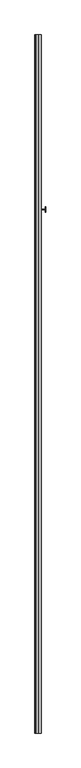
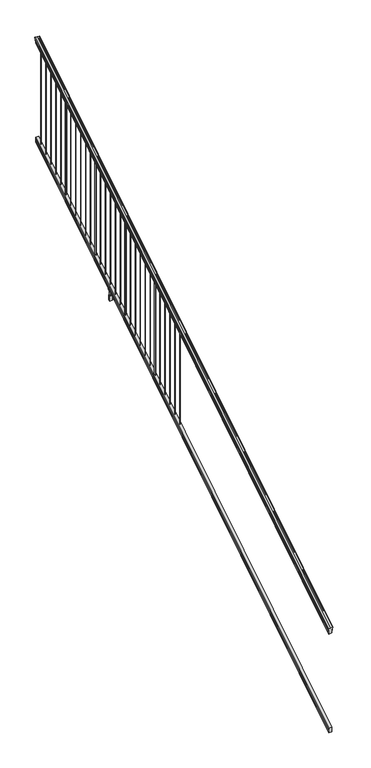
"""IFC4 building model written with IfcOpenShell, lengths in millimetres: railing geometry."""

from ifc_helpers import new_model, si_unit, point, frame, frame_2d, origin, place, context, project, spatial, polyline, circle_curve, ellipse_curve, trimmed, segment, composite_curve, outline, extrude, faceted_brep, source, transform, mapped, element, save
from ifc_brep_helpers import plane_surface, cylinder_surface, revolved_surface, advanced_brep


def railing_44d5bebf(model_context):
    return source(origin(), model_context, "Body", "SolidModel", [
        advanced_brep(
        [(10037.832944, -87458.4628453, 1285.6070492), (10040.4067728, -87458.4628453, 1285.6070492), (10040.4067728, -87458.4628453, 1273.0394336), (10039.3907728, -87458.4628453, 1271.841318), (10039.3907728, -87458.4628453, 1257.3), (10071.1407728, -87458.4628453, 1257.3), (10071.1407728, -87458.4628453, 1272.0274214), (10070.1247728, -87458.4628453, 1273.225537), (10070.1247728, -87458.4628453, 1285.6070492), (10072.6986015, -87458.4628453, 1285.6070492), (10072.6986015, -87458.4628453, 1287.8335658), (10073.8287878, -87458.4628453, 1289.6758543), (10073.8287878, -87458.4628453, 1298.1876358), (10073.1795314, -87458.4628453, 1301.0572588), (10075.6795314, -87458.4628453, 1306.1635509), (10077.0888739, -87458.4628453, 1308.1442021), (10077.4907729, -87458.4628453, 1309.4469579), (10077.4907728, -87458.4628453, 1311.0274846), (10075.9373255, -87458.4628453, 1312.8593836), (10055.2657728, -87458.4628453, 1312.8593836), (10034.59422, -87458.4628453, 1312.8593836), (10033.0407728, -87458.4628453, 1311.0274846), (10033.0407728, -87458.4628453, 1309.4469579), (10033.4426717, -87458.4628453, 1308.1442021), (10034.8520141, -87458.4628453, 1306.1635509), (10037.3520141, -87458.4628453, 1301.0572588), (10036.7027577, -87458.4628453, 1298.1876358), (10036.7027577, -87458.4628453, 1289.6758543), (10037.832944, -87458.4628453, 1287.8335658), (10037.832944, -82581.6628453, 4333.6070492), (10037.832944, -82581.6628453, 4335.8335658), (10036.7027577, -82581.6628453, 4337.6758543), (10036.7027577, -82581.6628453, 4346.1876358), (10037.3520141, -82581.6628453, 4349.0572588), (10034.8520141, -82581.6628453, 4354.1635509), (10033.4426717, -82581.6628453, 4356.1442021), (10033.0407727, -82581.6628453, 4357.4469579), (10033.0407728, -82581.6628453, 4359.0274846), (10034.59422, -82581.6628453, 4360.8593836), (10055.2657728, -82581.6628453, 4360.8593836), (10075.9373255, -82581.6628453, 4360.8593836), (10077.4907728, -82581.6628453, 4359.0274846), (10077.4907728, -82581.6628453, 4357.4469579), (10077.0888739, -82581.6628453, 4356.1442021), (10075.6795314, -82581.6628453, 4354.1635509), (10073.1795314, -82581.6628453, 4349.0572588), (10073.8287878, -82581.6628453, 4346.1876358), (10073.8287878, -82581.6628453, 4337.6758543), (10072.6986015, -82581.6628453, 4335.8335658), (10072.6986015, -82581.6628453, 4333.6070492), (10070.1247728, -82581.6628453, 4333.6070492), (10070.1247728, -82581.6628453, 4321.225537), (10071.1407728, -82581.6628453, 4320.0274214), (10071.1407728, -82581.6628453, 4305.3), (10039.3907728, -82581.6628453, 4305.3), (10039.3907728, -82581.6628453, 4319.841318), (10040.4067728, -82581.6628453, 4321.0394336), (10040.4067728, -82581.6628453, 4333.6070492)],
        [
            (0, 1, ellipse_curve(frame((10039.1198584, -87458.4628453, 1285.6070492), z_axis=(0.0, -1.0, 0.0), x_axis=(0.0, 0.0, -1.0)), 1.5175907, 1.2869144)),
            (1, 2),
            (2, 3),
            (3, 4),
            (4, 5),
            (5, 6),
            (6, 7),
            (7, 8),
            (8, 9, ellipse_curve(frame((10071.4116871, -87458.4628453, 1285.6070492), z_axis=(0.0, -1.0, 0.0), x_axis=(0.0, 0.0, -1.0)), 1.5175907, 1.2869144)),
            (9, 10),
            (10, 11, ellipse_curve(frame((10066.3838482, -87458.4628453, 1294.6239405), z_axis=(0.0, -1.0, 0.0), x_axis=(0.0, 0.0, -1.0)), 10.0777926, 8.545951)),
            (11, 12, ellipse_curve(frame((10066.8209112, -87458.4628453, 1293.9317451), z_axis=(0.0, -1.0, 0.0), x_axis=(0.0, 0.0, -1.0)), 9.2955186, 7.882584)),
            (12, 13, ellipse_curve(frame((10077.3342353, -87458.4628453, 1300.8275077), z_axis=(0.0, 1.0, 0.0), x_axis=(0.0, 0.0, 1.0)), 4.9048088, 4.1592695)),
            (13, 14, ellipse_curve(frame((10078.6215419, -87458.4628453, 1300.7563208), z_axis=(0.0, 1.0, 0.0), x_axis=(0.0, 0.0, 1.0)), 6.4245301, 5.4479907)),
            (14, 15, ellipse_curve(frame((10077.3883834, -87458.4628453, 1306.1602333), z_axis=(0.0, 1.0, 0.0), x_axis=(0.0, 0.0, 1.0)), 2.0151625, 1.7088543)),
            (15, 16, ellipse_curve(frame((10075.7714833, -87458.4628453, 1309.4469579), z_axis=(0.0, -1.0, 0.0), x_axis=(0.0, 0.0, -1.0)), 2.0274681, 1.7192895)),
            (16, 17),
            (17, 18, ellipse_curve(frame((10075.9373255, -87458.4628453, 1311.0274846), z_axis=(0.0, -1.0, 0.0), x_axis=(0.0, 0.0, -1.0)), 1.831899, 1.5534472)),
            (18, 19),
            (19, 20),
            (20, 21, ellipse_curve(frame((10034.59422, -87458.4628453, 1311.0274846), z_axis=(0.0, -1.0, 0.0), x_axis=(0.0, 0.0, -1.0)), 1.831899, 1.5534472)),
            (21, 22),
            (22, 23, ellipse_curve(frame((10034.7600622, -87458.4628453, 1309.4469579), z_axis=(0.0, -1.0, 0.0), x_axis=(0.0, 0.0, -1.0)), 2.0274681, 1.7192895)),
            (23, 24, ellipse_curve(frame((10033.1431621, -87458.4628453, 1306.1602333), z_axis=(0.0, 1.0, 0.0), x_axis=(0.0, 0.0, 1.0)), 2.0151625, 1.7088543)),
            (24, 25, ellipse_curve(frame((10031.9100037, -87458.4628453, 1300.7563208), z_axis=(0.0, 1.0, 0.0), x_axis=(0.0, 0.0, 1.0)), 6.4245301, 5.4479907)),
            (25, 26, ellipse_curve(frame((10033.1973102, -87458.4628453, 1300.8275077), z_axis=(0.0, 1.0, 0.0), x_axis=(0.0, 0.0, 1.0)), 4.9048088, 4.1592695)),
            (26, 27, ellipse_curve(frame((10043.7106343, -87458.4628453, 1293.9317451), z_axis=(0.0, -1.0, 0.0), x_axis=(0.0, 0.0, -1.0)), 9.2955186, 7.882584)),
            (27, 28, ellipse_curve(frame((10044.1476973, -87458.4628453, 1294.6239405), z_axis=(0.0, -1.0, 0.0), x_axis=(0.0, 0.0, -1.0)), 10.0777926, 8.545951)),
            (28, 0),
            (29, 30),
            (30, 31, ellipse_curve(frame((10044.1476973, -82581.6628453, 4342.6239405), z_axis=(0.0, 1.0, 0.0), x_axis=(0.0, 0.0, -1.0)), 10.0777926, 8.545951)),
            (31, 32, ellipse_curve(frame((10043.7106343, -82581.6628453, 4341.9317451), z_axis=(0.0, 1.0, 0.0), x_axis=(0.0, 0.0, -1.0)), 9.2955186, 7.882584)),
            (32, 33, ellipse_curve(frame((10033.1973102, -82581.6628453, 4348.8275077), z_axis=(0.0, -1.0, 0.0), x_axis=(0.0, 0.0, 1.0)), 4.9048088, 4.1592695)),
            (33, 34, ellipse_curve(frame((10031.9100037, -82581.6628453, 4348.7563208), z_axis=(0.0, -1.0, 0.0), x_axis=(0.0, 0.0, 1.0)), 6.4245301, 5.4479907)),
            (34, 35, ellipse_curve(frame((10033.1431621, -82581.6628453, 4354.1602333), z_axis=(0.0, -1.0, 0.0), x_axis=(0.0, 0.0, 1.0)), 2.0151625, 1.7088543)),
            (35, 36, ellipse_curve(frame((10034.7600622, -82581.6628453, 4357.4469579), z_axis=(0.0, 1.0, 0.0), x_axis=(0.0, 0.0, -1.0)), 2.0274681, 1.7192895)),
            (36, 37),
            (37, 38, ellipse_curve(frame((10034.59422, -82581.6628453, 4359.0274846), z_axis=(0.0, 1.0, 0.0), x_axis=(0.0, 0.0, -1.0)), 1.831899, 1.5534472)),
            (38, 39),
            (39, 40),
            (40, 41, ellipse_curve(frame((10075.9373255, -82581.6628453, 4359.0274846), z_axis=(0.0, 1.0, 0.0), x_axis=(0.0, 0.0, -1.0)), 1.831899, 1.5534472)),
            (41, 42),
            (42, 43, ellipse_curve(frame((10075.7714833, -82581.6628453, 4357.4469579), z_axis=(0.0, 1.0, 0.0), x_axis=(0.0, 0.0, -1.0)), 2.0274681, 1.7192895)),
            (43, 44, ellipse_curve(frame((10077.3883834, -82581.6628453, 4354.1602333), z_axis=(0.0, -1.0, 0.0), x_axis=(0.0, 0.0, 1.0)), 2.0151625, 1.7088543)),
            (44, 45, ellipse_curve(frame((10078.6215419, -82581.6628453, 4348.7563208), z_axis=(0.0, -1.0, 0.0), x_axis=(0.0, 0.0, 1.0)), 6.4245301, 5.4479907)),
            (45, 46, ellipse_curve(frame((10077.3342353, -82581.6628453, 4348.8275077), z_axis=(0.0, -1.0, 0.0), x_axis=(0.0, 0.0, 1.0)), 4.9048088, 4.1592695)),
            (46, 47, ellipse_curve(frame((10066.8209112, -82581.6628453, 4341.9317451), z_axis=(0.0, 1.0, 0.0), x_axis=(0.0, 0.0, -1.0)), 9.2955186, 7.882584)),
            (47, 48, ellipse_curve(frame((10066.3838482, -82581.6628453, 4342.6239405), z_axis=(0.0, 1.0, 0.0), x_axis=(0.0, 0.0, -1.0)), 10.0777926, 8.545951)),
            (48, 49),
            (49, 50, ellipse_curve(frame((10071.4116871, -82581.6628453, 4333.6070492), z_axis=(0.0, 1.0, 0.0), x_axis=(0.0, 0.0, -1.0)), 1.5175907, 1.2869144)),
            (50, 51),
            (51, 52),
            (52, 53),
            (53, 54),
            (54, 55),
            (55, 56),
            (56, 57),
            (57, 29, ellipse_curve(frame((10039.1198584, -82581.6628453, 4333.6070492), z_axis=(0.0, 1.0, 0.0), x_axis=(0.0, 0.0, -1.0)), 1.5175907, 1.2869144)),
            (28, 30),
            (29, 0),
            (27, 31),
            (26, 32),
            (25, 33),
            (24, 34),
            (23, 35),
            (22, 36),
            (21, 37),
            (20, 38),
            (19, 39),
            (18, 40),
            (17, 41),
            (16, 42),
            (15, 43),
            (14, 44),
            (13, 45),
            (12, 46),
            (11, 47),
            (10, 48),
            (9, 49),
            (8, 50),
            (7, 51),
            (6, 52),
            (5, 53),
            (4, 54),
            (3, 55),
            (2, 56),
            (1, 57),
        ],
        [
            plane_surface(frame((10055.2657728, -87458.4628453, 1257.3), z_axis=(0.0, -1.0, 0.0), x_axis=(0.0, 0.0, 1.0))),
            plane_surface(frame((10055.2657728, -82581.6628453, 4305.3), z_axis=(0.0, 1.0, 0.0), x_axis=(0.0, 0.0, 1.0))),
            plane_surface(frame((10037.832944, -87458.4628453, 1287.8335658), z_axis=(-1.0, 0.0, 0.0), x_axis=(0.0, 0.8479983040051252, 0.5299989400031204))),
            cylinder_surface(frame((10044.1476973, -87475.23765, 1284.1396876), z_axis=(0.0, -0.8479983040051253, -0.5299989400031204), x_axis=(1.0, 0.0, 0.0)), 8.545951),
            cylinder_surface(frame((10043.7106343, -87474.9265509, 1283.641929), z_axis=(0.0, -0.8479983040051253, -0.5299989400031204), x_axis=(1.0, 0.0, 0.0)), 7.882584),
            revolved_surface(polyline([(10037.3565797, -82579.45843685034, 4350.205262980551), (10037.3565797, -87460.66725374945, 1299.4497524190954)]), (10033.1973102, -87478.0257701, 1288.6006797), (0.0, 0.8479983040051253, 0.5299989400031204)),
            revolved_surface(polyline([(10037.357994400001, -82578.77541603574, 4350.5609640771845), (10037.357994400001, -87461.35027455281, 1298.9516775044929)]), (10031.9100037, -87477.993776, 1288.5494891), (0.0, 0.8479983040051253, 0.5299989400031204)),
            revolved_surface(polyline([(10034.8520164, -82580.75715429979, 4354.726290199658), (10034.8520164, -87459.36853632248, 1305.5941764359545)]), (10033.1431621, -87480.4225007, 1292.4354487), (0.0, 0.8479983040051253, 0.5299989400031204)),
            cylinder_surface(frame((10034.7600622, -87481.8996803, 1294.798936), z_axis=(0.0, -0.8479983040051253, -0.5299989400031204), x_axis=(1.0, 0.0, 0.0)), 1.7192895),
            plane_surface(frame((10033.0407728, -87458.4628453, 1311.0274846), z_axis=(-1.0000000000000002, 0.0, 0.0), x_axis=(0.0, 0.8479983040051253, 0.5299989400031204))),
            cylinder_surface(frame((10034.59422, -87482.6100294, 1295.9354945), z_axis=(0.0, -0.8479983040051253, -0.5299989400031204), x_axis=(1.0, 0.0, 0.0)), 1.5534472),
            plane_surface(frame((10055.2657728, -87458.4628453, 1312.8593836), z_axis=(0.0, -0.5299989400031204, 0.8479983040051252), x_axis=(0.0, 0.8479983040051252, 0.5299989400031204))),
            plane_surface(frame((10075.9373255, -87458.4628453, 1312.8593836), z_axis=(0.0, -0.5299989400031204, 0.8479983040051252), x_axis=(0.0, 0.8479983040051252, 0.5299989400031204))),
            cylinder_surface(frame((10075.9373255, -87482.6100294, 1295.9354945), z_axis=(0.0, -0.8479983040051253, -0.5299989400031204), x_axis=(-1.0, 0.0, 0.0)), 1.5534472),
            plane_surface(frame((10077.4907728, -87458.4628453, 1309.4469579), z_axis=(1.0, 0.0, 0.0), x_axis=(0.0, 0.8479983040051252, 0.5299989400031204))),
            cylinder_surface(frame((10075.7714833, -87481.8996803, 1294.798936), z_axis=(0.0, -0.8479983040051253, -0.5299989400031204), x_axis=(-1.0, 0.0, 0.0)), 1.7192895),
            revolved_surface(polyline([(10075.6795291, -82580.75715429979, 4354.726290199658), (10075.6795291, -87459.36853632248, 1305.5941764359545)]), (10077.3883834, -87480.4225007, 1292.4354487), (0.0, 0.8479983040051253, 0.5299989400031204)),
            revolved_surface(polyline([(10073.1735512, -82578.77541603574, 4350.5609640771845), (10073.1735512, -87461.35027455281, 1298.9516775044929)]), (10078.6215419, -87477.993776, 1288.5494891), (0.0, 0.8479983040051253, 0.5299989400031204)),
            revolved_surface(polyline([(10073.1749658, -82579.45843685034, 4350.205262980551), (10073.1749658, -87460.66725374945, 1299.4497524190954)]), (10077.3342353, -87478.0257701, 1288.6006797), (0.0, 0.8479983040051253, 0.5299989400031204)),
            cylinder_surface(frame((10066.8209112, -87474.9265509, 1283.641929), z_axis=(0.0, -0.8479983040051253, -0.5299989400031204), x_axis=(-1.0, 0.0, 0.0)), 7.882584),
            cylinder_surface(frame((10066.3838482, -87475.23765, 1284.1396876), z_axis=(0.0, -0.8479983040051253, -0.5299989400031204), x_axis=(-1.0, 0.0, 0.0)), 8.545951),
            plane_surface(frame((10072.6986015, -87458.4628453, 1285.6070492), z_axis=(1.0, 0.0, 0.0), x_axis=(0.0, 0.8479983040051252, 0.5299989400031204))),
            cylinder_surface(frame((10071.4116871, -87471.1851146, 1277.6556309), z_axis=(0.0, -0.8479983040051253, -0.5299989400031204), x_axis=(-1.0, 0.0, 0.0)), 1.2869144),
            plane_surface(frame((10070.1247728, -87458.4628453, 1273.225537), z_axis=(1.0, 0.0, 0.0), x_axis=(0.0, 0.8479983040051252, 0.5299989400031204))),
            plane_surface(frame((10071.1407728, -87458.4628453, 1272.0274214), z_axis=(0.7071067811865425, -0.3747658444978923, 0.5996253511967194), x_axis=(0.0, 0.8479983040051252, 0.5299989400031204))),
            plane_surface(frame((10071.1407728, -87458.4628453, 1257.3), z_axis=(1.0, 0.0, 0.0), x_axis=(0.0, 0.8479983040051252, 0.5299989400031204))),
            plane_surface(frame((10039.3907728, -87458.4628453, 1257.3), z_axis=(0.0, 0.5299989400031204, -0.8479983040051252), x_axis=(0.0, 0.8479983040051252, 0.5299989400031204))),
            plane_surface(frame((10039.3907728, -87458.4628453, 1271.841318), z_axis=(-1.0, 0.0, 0.0), x_axis=(0.0, 0.8479983040051253, 0.5299989400031203))),
            plane_surface(frame((10040.4067728, -87458.4628453, 1273.0394336), z_axis=(-0.7071067811865404, -0.3747658444978917, 0.5996253511967224), x_axis=(0.0, 0.8479983040051253, 0.5299989400031204))),
            plane_surface(frame((10040.4067728, -87458.4628453, 1285.6070492), z_axis=(-1.0, 0.0, 0.0), x_axis=(0.0, 0.8479983040051252, 0.5299989400031204))),
            cylinder_surface(frame((10039.1198584, -87471.1851146, 1277.6556309), z_axis=(0.0, -0.8479983040051253, -0.5299989400031204), x_axis=(1.0, 0.0, 0.0)), 1.2869144),
        ],
        [
            (0, [[1, 2, 3, 4, 5, 6, 7, 8, 9, 10, 11, 12, 13, 14, 15, 16, 17, 18, 19, 20, 21, 22, 23, 24, 25, 26, 27, 28, 29]]),
            (1, [[30, 31, 32, 33, 34, 35, 36, 37, 38, 39, 40, 41, 42, 43, 44, 45, 46, 47, 48, 49, 50, 51, 52, 53, 54, 55, 56, 57, 58]]),
            (2, [[-29, 59, -30, 60]]),
            (3, [[-28, 61, -31, -59]]),
            (4, [[-27, 62, -32, -61]]),
            (5, [[-26, 63, -33, -62]]),
            (6, [[-25, 64, -34, -63]]),
            (7, [[-24, 65, -35, -64]]),
            (8, [[-23, 66, -36, -65]]),
            (9, [[-22, 67, -37, -66]]),
            (10, [[-21, 68, -38, -67]]),
            (11, [[-20, 69, -39, -68]]),
            (12, [[-19, 70, -40, -69]]),
            (13, [[-18, 71, -41, -70]]),
            (14, [[-17, 72, -42, -71]]),
            (15, [[-16, 73, -43, -72]]),
            (16, [[-15, 74, -44, -73]]),
            (17, [[-14, 75, -45, -74]]),
            (18, [[-13, 76, -46, -75]]),
            (19, [[-12, 77, -47, -76]]),
            (20, [[-11, 78, -48, -77]]),
            (21, [[-10, 79, -49, -78]]),
            (22, [[-9, 80, -50, -79]]),
            (23, [[-8, 81, -51, -80]]),
            (24, [[-7, 82, -52, -81]]),
            (25, [[-6, 83, -53, -82]]),
            (26, [[-5, 84, -54, -83]]),
            (27, [[-4, 85, -55, -84]]),
            (28, [[-3, 86, -56, -85]]),
            (29, [[-2, 87, -57, -86]]),
            (30, [[-1, -60, -58, -87]]),
        ],
    ),
        faceted_brep([(10039.3532859, -87458.4628453, 268.8045079), (10039.3532859, -87458.4628453, 254.0), (10071.1032859, -87458.4628453, 254.0), (10071.1032859, -87458.4628453, 268.7848772), (10070.0872859, -87458.4628453, 270.3748303), (10070.0872859, -87458.4628453, 282.5348741), (10071.1032859, -87458.4628453, 284.1248272), (10071.1032859, -87458.4628453, 298.9244744), (10039.3532859, -87458.4628453, 298.9244744), (10039.3532859, -87458.4628453, 284.1444579), (10040.3692859, -87458.4628453, 282.5545048), (10040.3692859, -87458.4628453, 270.338026), (10039.3532859, -82581.6628453, 3316.8045079), (10040.3692859, -82581.6628453, 3318.338026), (10040.3692859, -82581.6628453, 3330.5545048), (10039.3532859, -82581.6628453, 3332.1444579), (10039.3532859, -82581.6628453, 3346.9244744), (10071.1032859, -82581.6628453, 3346.9244744), (10071.1032859, -82581.6628453, 3332.1248272), (10070.0872859, -82581.6628453, 3330.5348741), (10070.0872859, -82581.6628453, 3318.3748303), (10071.1032859, -82581.6628453, 3316.7848772), (10071.1032859, -82581.6628453, 3302.0), (10039.3532859, -82581.6628453, 3302.0)], [[[0, 1, 2, 3, 4, 5, 6, 7, 8, 9, 10, 11]], [[12, 13, 14, 15, 16, 17, 18, 19, 20, 21, 22, 23]], [[0, 11, 13, 12]], [[11, 10, 14, 13]], [[10, 9, 15, 14]], [[9, 8, 16, 15]], [[8, 7, 17, 16]], [[7, 6, 18, 17]], [[6, 5, 19, 18]], [[5, 4, 20, 19]], [[4, 3, 21, 20]], [[3, 2, 22, 21]], [[2, 1, 23, 22]], [[1, 0, 12, 23]]]),
        extrude(outline(composite_curve([segment(trimmed(circle_curve(frame_2d((10055.2657728, -82645.1628453)), 1.5875), [point((10053.6782728, -82645.1628453))], [point((10055.2657728, -82643.5753453))], False, "CARTESIAN"), True, "CONTINUOUS"), segment(trimmed(circle_curve(frame_2d((10055.2657728, -82645.1628453)), 1.5875), [point((10055.2657728, -82643.5753453))], [point((10056.8532728, -82645.1628453))], False, "CARTESIAN"), True, "CONTINUOUS"), segment(trimmed(circle_curve(frame_2d((10055.2657728, -82645.1628453)), 1.5875), [point((10056.8532728, -82645.1628453))], [point((10055.2657728, -82646.7503453))], False, "CARTESIAN"), True, "CONTINUOUS"), segment(trimmed(circle_curve(frame_2d((10055.2657728, -82645.1628453)), 1.5875), [point((10055.2657728, -82646.7503453))], [point((10053.6782728, -82645.1628453))], False, "CARTESIAN"), True, "CONTINUOUS")], self_intersect=False)), frame((0.0, 0.0, 3300.4083781), z_axis=(0.0, 0.0, 1.0), x_axis=(1.0, 0.0, 0.0)), (0.0, 0.0, 1.0), 965.2041219),
        extrude(outline(composite_curve([segment(trimmed(circle_curve(frame_2d((10055.2657728, -82727.7128453)), 1.5875), [point((10053.6782728, -82727.7128453))], [point((10055.2657728, -82726.1253453))], False, "CARTESIAN"), True, "CONTINUOUS"), segment(trimmed(circle_curve(frame_2d((10055.2657728, -82727.7128453)), 1.5875), [point((10055.2657728, -82726.1253453))], [point((10056.8532728, -82727.7128453))], False, "CARTESIAN"), True, "CONTINUOUS"), segment(trimmed(circle_curve(frame_2d((10055.2657728, -82727.7128453)), 1.5875), [point((10056.8532728, -82727.7128453))], [point((10055.2657728, -82729.3003453))], False, "CARTESIAN"), True, "CONTINUOUS"), segment(trimmed(circle_curve(frame_2d((10055.2657728, -82727.7128453)), 1.5875), [point((10055.2657728, -82729.3003453))], [point((10053.6782728, -82727.7128453))], False, "CARTESIAN"), True, "CONTINUOUS")], self_intersect=False)), frame((0.0, 0.0, 3248.8146281), z_axis=(0.0, 0.0, 1.0), x_axis=(1.0, 0.0, 0.0)), (0.0, 0.0, 1.0), 965.2041219),
        extrude(outline(composite_curve([segment(trimmed(circle_curve(frame_2d((10055.2657728, -82810.2628453)), 1.5875), [point((10053.6782728, -82810.2628453))], [point((10055.2657728, -82808.6753453))], False, "CARTESIAN"), True, "CONTINUOUS"), segment(trimmed(circle_curve(frame_2d((10055.2657728, -82810.2628453)), 1.5875), [point((10055.2657728, -82808.6753453))], [point((10056.8532728, -82810.2628453))], False, "CARTESIAN"), True, "CONTINUOUS"), segment(trimmed(circle_curve(frame_2d((10055.2657728, -82810.2628453)), 1.5875), [point((10056.8532728, -82810.2628453))], [point((10055.2657728, -82811.8503453))], False, "CARTESIAN"), True, "CONTINUOUS"), segment(trimmed(circle_curve(frame_2d((10055.2657728, -82810.2628453)), 1.5875), [point((10055.2657728, -82811.8503453))], [point((10053.6782728, -82810.2628453))], False, "CARTESIAN"), True, "CONTINUOUS")], self_intersect=False)), frame((0.0, 0.0, 3197.2208781), z_axis=(0.0, 0.0, 1.0), x_axis=(1.0, 0.0, 0.0)), (0.0, 0.0, 1.0), 965.2041219),
        extrude(outline(composite_curve([segment(trimmed(circle_curve(frame_2d((10055.2657728, -82892.8128453)), 1.5875), [point((10053.6782728, -82892.8128453))], [point((10055.2657728, -82891.2253453))], False, "CARTESIAN"), True, "CONTINUOUS"), segment(trimmed(circle_curve(frame_2d((10055.2657728, -82892.8128453)), 1.5875), [point((10055.2657728, -82891.2253453))], [point((10056.8532728, -82892.8128453))], False, "CARTESIAN"), True, "CONTINUOUS"), segment(trimmed(circle_curve(frame_2d((10055.2657728, -82892.8128453)), 1.5875), [point((10056.8532728, -82892.8128453))], [point((10055.2657728, -82894.4003453))], False, "CARTESIAN"), True, "CONTINUOUS"), segment(trimmed(circle_curve(frame_2d((10055.2657728, -82892.8128453)), 1.5875), [point((10055.2657728, -82894.4003453))], [point((10053.6782728, -82892.8128453))], False, "CARTESIAN"), True, "CONTINUOUS")], self_intersect=False)), frame((0.0, 0.0, 3145.6271281), z_axis=(0.0, 0.0, 1.0), x_axis=(1.0, 0.0, 0.0)), (0.0, 0.0, 1.0), 965.2041219),
        extrude(outline(composite_curve([segment(trimmed(circle_curve(frame_2d((10055.2657728, -82975.3628453)), 1.5875), [point((10053.6782728, -82975.3628453))], [point((10055.2657728, -82973.7753453))], False, "CARTESIAN"), True, "CONTINUOUS"), segment(trimmed(circle_curve(frame_2d((10055.2657728, -82975.3628453)), 1.5875), [point((10055.2657728, -82973.7753453))], [point((10056.8532728, -82975.3628453))], False, "CARTESIAN"), True, "CONTINUOUS"), segment(trimmed(circle_curve(frame_2d((10055.2657728, -82975.3628453)), 1.5875), [point((10056.8532728, -82975.3628453))], [point((10055.2657728, -82976.9503453))], False, "CARTESIAN"), True, "CONTINUOUS"), segment(trimmed(circle_curve(frame_2d((10055.2657728, -82975.3628453)), 1.5875), [point((10055.2657728, -82976.9503453))], [point((10053.6782728, -82975.3628453))], False, "CARTESIAN"), True, "CONTINUOUS")], self_intersect=False)), frame((0.0, 0.0, 3094.0333781), z_axis=(0.0, 0.0, 1.0), x_axis=(1.0, 0.0, 0.0)), (0.0, 0.0, 1.0), 965.2041219),
        extrude(outline(composite_curve([segment(trimmed(circle_curve(frame_2d((10055.2657728, -83057.9128453)), 6.35), [point((10048.9157728, -83057.9128453))], [point((10055.2657728, -83051.5628453))], False, "CARTESIAN"), True, "CONTINUOUS"), segment(trimmed(circle_curve(frame_2d((10055.2657728, -83057.9128453)), 6.35), [point((10055.2657728, -83051.5628453))], [point((10061.6157728, -83057.9128453))], False, "CARTESIAN"), True, "CONTINUOUS"), segment(trimmed(circle_curve(frame_2d((10055.2657728, -83057.9128453)), 6.35), [point((10061.6157728, -83057.9128453))], [point((10055.2657728, -83064.2628453))], False, "CARTESIAN"), True, "CONTINUOUS"), segment(trimmed(circle_curve(frame_2d((10055.2657728, -83057.9128453)), 6.35), [point((10055.2657728, -83064.2628453))], [point((10048.9157728, -83057.9128453))], False, "CARTESIAN"), True, "CONTINUOUS")], self_intersect=False)), frame((0.0, 0.0, 3042.4396281), z_axis=(0.0, 0.0, 1.0), x_axis=(1.0, 0.0, 0.0)), (0.0, 0.0, 1.0), 965.2041219),
        extrude(outline(composite_curve([segment(trimmed(circle_curve(frame_2d((10055.2657728, -83140.4628453)), 1.5875), [point((10053.6782728, -83140.4628453))], [point((10055.2657728, -83138.8753453))], False, "CARTESIAN"), True, "CONTINUOUS"), segment(trimmed(circle_curve(frame_2d((10055.2657728, -83140.4628453)), 1.5875), [point((10055.2657728, -83138.8753453))], [point((10056.8532728, -83140.4628453))], False, "CARTESIAN"), True, "CONTINUOUS"), segment(trimmed(circle_curve(frame_2d((10055.2657728, -83140.4628453)), 1.5875), [point((10056.8532728, -83140.4628453))], [point((10055.2657728, -83142.0503453))], False, "CARTESIAN"), True, "CONTINUOUS"), segment(trimmed(circle_curve(frame_2d((10055.2657728, -83140.4628453)), 1.5875), [point((10055.2657728, -83142.0503453))], [point((10053.6782728, -83140.4628453))], False, "CARTESIAN"), True, "CONTINUOUS")], self_intersect=False)), frame((0.0, 0.0, 2990.8458781), z_axis=(0.0, 0.0, 1.0), x_axis=(1.0, 0.0, 0.0)), (0.0, 0.0, 1.0), 965.2041219),
        extrude(outline(composite_curve([segment(trimmed(circle_curve(frame_2d((10055.2657728, -83223.0128453)), 1.5875), [point((10053.6782728, -83223.0128453))], [point((10055.2657728, -83221.4253453))], False, "CARTESIAN"), True, "CONTINUOUS"), segment(trimmed(circle_curve(frame_2d((10055.2657728, -83223.0128453)), 1.5875), [point((10055.2657728, -83221.4253453))], [point((10056.8532728, -83223.0128453))], False, "CARTESIAN"), True, "CONTINUOUS"), segment(trimmed(circle_curve(frame_2d((10055.2657728, -83223.0128453)), 1.5875), [point((10056.8532728, -83223.0128453))], [point((10055.2657728, -83224.6003453))], False, "CARTESIAN"), True, "CONTINUOUS"), segment(trimmed(circle_curve(frame_2d((10055.2657728, -83223.0128453)), 1.5875), [point((10055.2657728, -83224.6003453))], [point((10053.6782728, -83223.0128453))], False, "CARTESIAN"), True, "CONTINUOUS")], self_intersect=False)), frame((0.0, 0.0, 2939.2521281), z_axis=(0.0, 0.0, 1.0), x_axis=(1.0, 0.0, 0.0)), (0.0, 0.0, 1.0), 965.2041219),
        extrude(outline(composite_curve([segment(trimmed(circle_curve(frame_2d((10055.2657728, -83305.5628453)), 1.5875), [point((10053.6782728, -83305.5628453))], [point((10055.2657728, -83303.9753453))], False, "CARTESIAN"), True, "CONTINUOUS"), segment(trimmed(circle_curve(frame_2d((10055.2657728, -83305.5628453)), 1.5875), [point((10055.2657728, -83303.9753453))], [point((10056.8532728, -83305.5628453))], False, "CARTESIAN"), True, "CONTINUOUS"), segment(trimmed(circle_curve(frame_2d((10055.2657728, -83305.5628453)), 1.5875), [point((10056.8532728, -83305.5628453))], [point((10055.2657728, -83307.1503453))], False, "CARTESIAN"), True, "CONTINUOUS"), segment(trimmed(circle_curve(frame_2d((10055.2657728, -83305.5628453)), 1.5875), [point((10055.2657728, -83307.1503453))], [point((10053.6782728, -83305.5628453))], False, "CARTESIAN"), True, "CONTINUOUS")], self_intersect=False)), frame((0.0, 0.0, 2887.6583781), z_axis=(0.0, 0.0, 1.0), x_axis=(1.0, 0.0, 0.0)), (0.0, 0.0, 1.0), 965.2041219),
        extrude(outline(composite_curve([segment(trimmed(circle_curve(frame_2d((10055.2657728, -83388.1128453)), 1.5875), [point((10053.6782728, -83388.1128453))], [point((10055.2657728, -83386.5253453))], False, "CARTESIAN"), True, "CONTINUOUS"), segment(trimmed(circle_curve(frame_2d((10055.2657728, -83388.1128453)), 1.5875), [point((10055.2657728, -83386.5253453))], [point((10056.8532728, -83388.1128453))], False, "CARTESIAN"), True, "CONTINUOUS"), segment(trimmed(circle_curve(frame_2d((10055.2657728, -83388.1128453)), 1.5875), [point((10056.8532728, -83388.1128453))], [point((10055.2657728, -83389.7003453))], False, "CARTESIAN"), True, "CONTINUOUS"), segment(trimmed(circle_curve(frame_2d((10055.2657728, -83388.1128453)), 1.5875), [point((10055.2657728, -83389.7003453))], [point((10053.6782728, -83388.1128453))], False, "CARTESIAN"), True, "CONTINUOUS")], self_intersect=False)), frame((0.0, 0.0, 2836.0646281), z_axis=(0.0, 0.0, 1.0), x_axis=(1.0, 0.0, 0.0)), (0.0, 0.0, 1.0), 965.2041219),
        extrude(outline(composite_curve([segment(trimmed(circle_curve(frame_2d((10055.2657728, -83470.6628453)), 1.5875), [point((10053.6782728, -83470.6628453))], [point((10055.2657728, -83469.0753453))], False, "CARTESIAN"), True, "CONTINUOUS"), segment(trimmed(circle_curve(frame_2d((10055.2657728, -83470.6628453)), 1.5875), [point((10055.2657728, -83469.0753453))], [point((10056.8532728, -83470.6628453))], False, "CARTESIAN"), True, "CONTINUOUS"), segment(trimmed(circle_curve(frame_2d((10055.2657728, -83470.6628453)), 1.5875), [point((10056.8532728, -83470.6628453))], [point((10055.2657728, -83472.2503453))], False, "CARTESIAN"), True, "CONTINUOUS"), segment(trimmed(circle_curve(frame_2d((10055.2657728, -83470.6628453)), 1.5875), [point((10055.2657728, -83472.2503453))], [point((10053.6782728, -83470.6628453))], False, "CARTESIAN"), True, "CONTINUOUS")], self_intersect=False)), frame((0.0, 0.0, 2784.4708781), z_axis=(0.0, 0.0, 1.0), x_axis=(1.0, 0.0, 0.0)), (0.0, 0.0, 1.0), 965.2041219),
        extrude(outline(composite_curve([segment(trimmed(circle_curve(frame_2d((10055.2657728, -83553.2128453)), 6.35), [point((10048.9157728, -83553.2128453))], [point((10055.2657728, -83546.8628453))], False, "CARTESIAN"), True, "CONTINUOUS"), segment(trimmed(circle_curve(frame_2d((10055.2657728, -83553.2128453)), 6.35), [point((10055.2657728, -83546.8628453))], [point((10061.6157728, -83553.2128453))], False, "CARTESIAN"), True, "CONTINUOUS"), segment(trimmed(circle_curve(frame_2d((10055.2657728, -83553.2128453)), 6.35), [point((10061.6157728, -83553.2128453))], [point((10055.2657728, -83559.5628453))], False, "CARTESIAN"), True, "CONTINUOUS"), segment(trimmed(circle_curve(frame_2d((10055.2657728, -83553.2128453)), 6.35), [point((10055.2657728, -83559.5628453))], [point((10048.9157728, -83553.2128453))], False, "CARTESIAN"), True, "CONTINUOUS")], self_intersect=False)), frame((0.0, 0.0, 2732.8771281), z_axis=(0.0, 0.0, 1.0), x_axis=(1.0, 0.0, 0.0)), (0.0, 0.0, 1.0), 965.2041219),
        extrude(outline(composite_curve([segment(trimmed(circle_curve(frame_2d((10055.2657728, -83635.7628453)), 1.5875), [point((10053.6782728, -83635.7628453))], [point((10055.2657728, -83634.1753453))], False, "CARTESIAN"), True, "CONTINUOUS"), segment(trimmed(circle_curve(frame_2d((10055.2657728, -83635.7628453)), 1.5875), [point((10055.2657728, -83634.1753453))], [point((10056.8532728, -83635.7628453))], False, "CARTESIAN"), True, "CONTINUOUS"), segment(trimmed(circle_curve(frame_2d((10055.2657728, -83635.7628453)), 1.5875), [point((10056.8532728, -83635.7628453))], [point((10055.2657728, -83637.3503453))], False, "CARTESIAN"), True, "CONTINUOUS"), segment(trimmed(circle_curve(frame_2d((10055.2657728, -83635.7628453)), 1.5875), [point((10055.2657728, -83637.3503453))], [point((10053.6782728, -83635.7628453))], False, "CARTESIAN"), True, "CONTINUOUS")], self_intersect=False)), frame((0.0, 0.0, 2681.2833781), z_axis=(0.0, 0.0, 1.0), x_axis=(1.0, 0.0, 0.0)), (0.0, 0.0, 1.0), 965.2041219),
        extrude(outline(composite_curve([segment(trimmed(circle_curve(frame_2d((10055.2657728, -83718.3128453)), 1.5875), [point((10053.6782728, -83718.3128453))], [point((10055.2657728, -83716.7253453))], False, "CARTESIAN"), True, "CONTINUOUS"), segment(trimmed(circle_curve(frame_2d((10055.2657728, -83718.3128453)), 1.5875), [point((10055.2657728, -83716.7253453))], [point((10056.8532728, -83718.3128453))], False, "CARTESIAN"), True, "CONTINUOUS"), segment(trimmed(circle_curve(frame_2d((10055.2657728, -83718.3128453)), 1.5875), [point((10056.8532728, -83718.3128453))], [point((10055.2657728, -83719.9003453))], False, "CARTESIAN"), True, "CONTINUOUS"), segment(trimmed(circle_curve(frame_2d((10055.2657728, -83718.3128453)), 1.5875), [point((10055.2657728, -83719.9003453))], [point((10053.6782728, -83718.3128453))], False, "CARTESIAN"), True, "CONTINUOUS")], self_intersect=False)), frame((0.0, 0.0, 2629.6896281), z_axis=(0.0, 0.0, 1.0), x_axis=(1.0, 0.0, 0.0)), (0.0, 0.0, 1.0), 965.2041219),
        extrude(outline(polyline([(10065.9337726, -83802.1328453), (10065.9337726, -83799.5928453), (10105.3037728, -83799.5928453), (10105.3037728, -83802.1328453), (10065.9337726, -83802.1328453)])), frame((0.0, 0.0, 2425.7), z_axis=(0.0, 0.0, 1.0), x_axis=(1.0, 0.0, 0.0)), (0.0, 0.0, 1.0), 50.8),
        extrude(outline(polyline([(10105.3037728, -83819.9128453), (10105.3037728, -83781.8128453), (10107.8437728, -83781.8128453), (10107.8437728, -83819.9128453), (10105.3037728, -83819.9128453)])), frame((0.0, 0.0, 2425.7), z_axis=(0.0, 0.0, 1.0), x_axis=(1.0, 0.0, 0.0)), (0.0, 0.0, 1.0), 50.8),
        extrude(outline(polyline([(10044.597772, -83810.7688453), (10044.597772, -83790.9568453), (10065.9337726, -83790.9568453), (10065.9337726, -83810.7688453), (10044.597772, -83810.7688453)]), holes=[polyline([(10047.8997721, -83808.2288453), (10062.6317725, -83808.2288453), (10062.6317725, -83793.4968453), (10047.8997721, -83793.4968453), (10047.8997721, -83808.2288453)])]), frame((0.0, 0.0, 2425.7), z_axis=(0.0, 0.0, 1.0), x_axis=(1.0, 0.0, 0.0)), (0.0, 0.0, 1.0), 50.8),
        extrude(outline(polyline([(2565.2203979, 10073.4267716), (2565.2203979, 10071.394772), (2564.2043953, 10070.3787722), (2553.7686081, 10070.3787722), (2552.7526073, 10071.394772), (2540.762001, 10071.394772), (2540.0000019, 10070.6327729), (2540.0000019, 10039.8987717), (2540.762001, 10039.1367726), (2552.7526073, 10039.1367726), (2553.7686081, 10040.1527724), (2564.2043953, 10040.1527724), (2565.2203979, 10039.1367726), (2565.2203979, 10037.104773), (2564.4583969, 10036.342772), (2537.9680023, 10036.342772), (2537.2060013, 10037.104773), (2537.2060013, 10047.137772), (2536.4440012, 10047.8997721), (2472.9440012, 10047.8997721), (2472.9440012, 10062.6317725), (2536.4440012, 10062.6317725), (2537.2060013, 10063.3937726), (2537.2060013, 10073.4267716), (2537.9680023, 10074.1887726), (2564.4583969, 10074.1887726), (2565.2203979, 10073.4267716)]), holes=[polyline([(2537.2060013, 10051.8367724), (2537.2060013, 10058.6947722), (2536.4440012, 10059.4567723), (2480.4370003, 10059.4567723), (2479.6750031, 10058.6947751), (2479.6750031, 10051.8367724), (2480.4370031, 10051.0747723), (2536.4440012, 10051.0747723), (2537.2060013, 10051.8367724)])]), frame((0.0, -83808.2288453, 0.0), z_axis=(0.0, 1.0, 0.0), x_axis=(0.0, 0.0, 1.0)), (0.0, 0.0, 1.0), 14.732),
        extrude(outline(composite_curve([segment(trimmed(circle_curve(frame_2d((10055.2657728, -83800.8628453)), 1.5875), [point((10053.6782728, -83800.8628453))], [point((10055.2657728, -83799.2753453))], False, "CARTESIAN"), True, "CONTINUOUS"), segment(trimmed(circle_curve(frame_2d((10055.2657728, -83800.8628453)), 1.5875), [point((10055.2657728, -83799.2753453))], [point((10056.8532728, -83800.8628453))], False, "CARTESIAN"), True, "CONTINUOUS"), segment(trimmed(circle_curve(frame_2d((10055.2657728, -83800.8628453)), 1.5875), [point((10056.8532728, -83800.8628453))], [point((10055.2657728, -83802.4503453))], False, "CARTESIAN"), True, "CONTINUOUS"), segment(trimmed(circle_curve(frame_2d((10055.2657728, -83800.8628453)), 1.5875), [point((10055.2657728, -83802.4503453))], [point((10053.6782728, -83800.8628453))], False, "CARTESIAN"), True, "CONTINUOUS")], self_intersect=False)), frame((0.0, 0.0, 2578.0958781), z_axis=(0.0, 0.0, 1.0), x_axis=(1.0, 0.0, 0.0)), (0.0, 0.0, 1.0), 965.2041219),
        extrude(outline(composite_curve([segment(trimmed(circle_curve(frame_2d((10055.2657728, -83883.4128453)), 1.5875), [point((10053.6782728, -83883.4128453))], [point((10055.2657728, -83881.8253453))], False, "CARTESIAN"), True, "CONTINUOUS"), segment(trimmed(circle_curve(frame_2d((10055.2657728, -83883.4128453)), 1.5875), [point((10055.2657728, -83881.8253453))], [point((10056.8532728, -83883.4128453))], False, "CARTESIAN"), True, "CONTINUOUS"), segment(trimmed(circle_curve(frame_2d((10055.2657728, -83883.4128453)), 1.5875), [point((10056.8532728, -83883.4128453))], [point((10055.2657728, -83885.0003453))], False, "CARTESIAN"), True, "CONTINUOUS"), segment(trimmed(circle_curve(frame_2d((10055.2657728, -83883.4128453)), 1.5875), [point((10055.2657728, -83885.0003453))], [point((10053.6782728, -83883.4128453))], False, "CARTESIAN"), True, "CONTINUOUS")], self_intersect=False)), frame((0.0, 0.0, 2526.5021281), z_axis=(0.0, 0.0, 1.0), x_axis=(1.0, 0.0, 0.0)), (0.0, 0.0, 1.0), 965.2041219),
        extrude(outline(composite_curve([segment(trimmed(circle_curve(frame_2d((10055.2657728, -83965.9628453)), 1.5875), [point((10053.6782728, -83965.9628453))], [point((10055.2657728, -83964.3753453))], False, "CARTESIAN"), True, "CONTINUOUS"), segment(trimmed(circle_curve(frame_2d((10055.2657728, -83965.9628453)), 1.5875), [point((10055.2657728, -83964.3753453))], [point((10056.8532728, -83965.9628453))], False, "CARTESIAN"), True, "CONTINUOUS"), segment(trimmed(circle_curve(frame_2d((10055.2657728, -83965.9628453)), 1.5875), [point((10056.8532728, -83965.9628453))], [point((10055.2657728, -83967.5503453))], False, "CARTESIAN"), True, "CONTINUOUS"), segment(trimmed(circle_curve(frame_2d((10055.2657728, -83965.9628453)), 1.5875), [point((10055.2657728, -83967.5503453))], [point((10053.6782728, -83965.9628453))], False, "CARTESIAN"), True, "CONTINUOUS")], self_intersect=False)), frame((0.0, 0.0, 2474.9083781), z_axis=(0.0, 0.0, 1.0), x_axis=(1.0, 0.0, 0.0)), (0.0, 0.0, 1.0), 965.2041219),
        extrude(outline(composite_curve([segment(trimmed(circle_curve(frame_2d((10055.2657728, -84048.5128453)), 6.35), [point((10048.9157728, -84048.5128453))], [point((10055.2657728, -84042.1628453))], False, "CARTESIAN"), True, "CONTINUOUS"), segment(trimmed(circle_curve(frame_2d((10055.2657728, -84048.5128453)), 6.35), [point((10055.2657728, -84042.1628453))], [point((10061.6157728, -84048.5128453))], False, "CARTESIAN"), True, "CONTINUOUS"), segment(trimmed(circle_curve(frame_2d((10055.2657728, -84048.5128453)), 6.35), [point((10061.6157728, -84048.5128453))], [point((10055.2657728, -84054.8628453))], False, "CARTESIAN"), True, "CONTINUOUS"), segment(trimmed(circle_curve(frame_2d((10055.2657728, -84048.5128453)), 6.35), [point((10055.2657728, -84054.8628453))], [point((10048.9157728, -84048.5128453))], False, "CARTESIAN"), True, "CONTINUOUS")], self_intersect=False)), frame((0.0, 0.0, 2423.3146281), z_axis=(0.0, 0.0, 1.0), x_axis=(1.0, 0.0, 0.0)), (0.0, 0.0, 1.0), 965.2041219),
        extrude(outline(composite_curve([segment(trimmed(circle_curve(frame_2d((10055.2657728, -84131.0628453)), 1.5875), [point((10053.6782728, -84131.0628453))], [point((10055.2657728, -84129.4753453))], False, "CARTESIAN"), True, "CONTINUOUS"), segment(trimmed(circle_curve(frame_2d((10055.2657728, -84131.0628453)), 1.5875), [point((10055.2657728, -84129.4753453))], [point((10056.8532728, -84131.0628453))], False, "CARTESIAN"), True, "CONTINUOUS"), segment(trimmed(circle_curve(frame_2d((10055.2657728, -84131.0628453)), 1.5875), [point((10056.8532728, -84131.0628453))], [point((10055.2657728, -84132.6503453))], False, "CARTESIAN"), True, "CONTINUOUS"), segment(trimmed(circle_curve(frame_2d((10055.2657728, -84131.0628453)), 1.5875), [point((10055.2657728, -84132.6503453))], [point((10053.6782728, -84131.0628453))], False, "CARTESIAN"), True, "CONTINUOUS")], self_intersect=False)), frame((0.0, 0.0, 2371.7208781), z_axis=(0.0, 0.0, 1.0), x_axis=(1.0, 0.0, 0.0)), (0.0, 0.0, 1.0), 965.2041219),
        extrude(outline(composite_curve([segment(trimmed(circle_curve(frame_2d((10055.2657728, -84213.6128453)), 1.5875), [point((10053.6782728, -84213.6128453))], [point((10055.2657728, -84212.0253453))], False, "CARTESIAN"), True, "CONTINUOUS"), segment(trimmed(circle_curve(frame_2d((10055.2657728, -84213.6128453)), 1.5875), [point((10055.2657728, -84212.0253453))], [point((10056.8532728, -84213.6128453))], False, "CARTESIAN"), True, "CONTINUOUS"), segment(trimmed(circle_curve(frame_2d((10055.2657728, -84213.6128453)), 1.5875), [point((10056.8532728, -84213.6128453))], [point((10055.2657728, -84215.2003453))], False, "CARTESIAN"), True, "CONTINUOUS"), segment(trimmed(circle_curve(frame_2d((10055.2657728, -84213.6128453)), 1.5875), [point((10055.2657728, -84215.2003453))], [point((10053.6782728, -84213.6128453))], False, "CARTESIAN"), True, "CONTINUOUS")], self_intersect=False)), frame((0.0, 0.0, 2320.1271281), z_axis=(0.0, 0.0, 1.0), x_axis=(1.0, 0.0, 0.0)), (0.0, 0.0, 1.0), 965.2041219),
        extrude(outline(composite_curve([segment(trimmed(circle_curve(frame_2d((10055.2657728, -84296.1628453)), 1.5875), [point((10053.6782728, -84296.1628453))], [point((10055.2657728, -84294.5753453))], False, "CARTESIAN"), True, "CONTINUOUS"), segment(trimmed(circle_curve(frame_2d((10055.2657728, -84296.1628453)), 1.5875), [point((10055.2657728, -84294.5753453))], [point((10056.8532728, -84296.1628453))], False, "CARTESIAN"), True, "CONTINUOUS"), segment(trimmed(circle_curve(frame_2d((10055.2657728, -84296.1628453)), 1.5875), [point((10056.8532728, -84296.1628453))], [point((10055.2657728, -84297.7503453))], False, "CARTESIAN"), True, "CONTINUOUS"), segment(trimmed(circle_curve(frame_2d((10055.2657728, -84296.1628453)), 1.5875), [point((10055.2657728, -84297.7503453))], [point((10053.6782728, -84296.1628453))], False, "CARTESIAN"), True, "CONTINUOUS")], self_intersect=False)), frame((0.0, 0.0, 2268.5333781), z_axis=(0.0, 0.0, 1.0), x_axis=(1.0, 0.0, 0.0)), (0.0, 0.0, 1.0), 965.2041219),
        extrude(outline(composite_curve([segment(trimmed(circle_curve(frame_2d((10055.2657728, -84378.7128453)), 1.5875), [point((10053.6782728, -84378.7128453))], [point((10055.2657728, -84377.1253453))], False, "CARTESIAN"), True, "CONTINUOUS"), segment(trimmed(circle_curve(frame_2d((10055.2657728, -84378.7128453)), 1.5875), [point((10055.2657728, -84377.1253453))], [point((10056.8532728, -84378.7128453))], False, "CARTESIAN"), True, "CONTINUOUS"), segment(trimmed(circle_curve(frame_2d((10055.2657728, -84378.7128453)), 1.5875), [point((10056.8532728, -84378.7128453))], [point((10055.2657728, -84380.3003453))], False, "CARTESIAN"), True, "CONTINUOUS"), segment(trimmed(circle_curve(frame_2d((10055.2657728, -84378.7128453)), 1.5875), [point((10055.2657728, -84380.3003453))], [point((10053.6782728, -84378.7128453))], False, "CARTESIAN"), True, "CONTINUOUS")], self_intersect=False)), frame((0.0, 0.0, 2216.9396281), z_axis=(0.0, 0.0, 1.0), x_axis=(1.0, 0.0, 0.0)), (0.0, 0.0, 1.0), 965.2041219),
        extrude(outline(composite_curve([segment(trimmed(circle_curve(frame_2d((10055.2657728, -84461.2628453)), 1.5875), [point((10053.6782728, -84461.2628453))], [point((10055.2657728, -84459.6753453))], False, "CARTESIAN"), True, "CONTINUOUS"), segment(trimmed(circle_curve(frame_2d((10055.2657728, -84461.2628453)), 1.5875), [point((10055.2657728, -84459.6753453))], [point((10056.8532728, -84461.2628453))], False, "CARTESIAN"), True, "CONTINUOUS"), segment(trimmed(circle_curve(frame_2d((10055.2657728, -84461.2628453)), 1.5875), [point((10056.8532728, -84461.2628453))], [point((10055.2657728, -84462.8503453))], False, "CARTESIAN"), True, "CONTINUOUS"), segment(trimmed(circle_curve(frame_2d((10055.2657728, -84461.2628453)), 1.5875), [point((10055.2657728, -84462.8503453))], [point((10053.6782728, -84461.2628453))], False, "CARTESIAN"), True, "CONTINUOUS")], self_intersect=False)), frame((0.0, 0.0, 2165.3458781), z_axis=(0.0, 0.0, 1.0), x_axis=(1.0, 0.0, 0.0)), (0.0, 0.0, 1.0), 965.2041219),
        extrude(outline(composite_curve([segment(trimmed(circle_curve(frame_2d((10055.2657728, -84543.8128453)), 6.35), [point((10048.9157728, -84543.8128453))], [point((10055.2657728, -84537.4628453))], False, "CARTESIAN"), True, "CONTINUOUS"), segment(trimmed(circle_curve(frame_2d((10055.2657728, -84543.8128453)), 6.35), [point((10055.2657728, -84537.4628453))], [point((10061.6157728, -84543.8128453))], False, "CARTESIAN"), True, "CONTINUOUS"), segment(trimmed(circle_curve(frame_2d((10055.2657728, -84543.8128453)), 6.35), [point((10061.6157728, -84543.8128453))], [point((10055.2657728, -84550.1628453))], False, "CARTESIAN"), True, "CONTINUOUS"), segment(trimmed(circle_curve(frame_2d((10055.2657728, -84543.8128453)), 6.35), [point((10055.2657728, -84550.1628453))], [point((10048.9157728, -84543.8128453))], False, "CARTESIAN"), True, "CONTINUOUS")], self_intersect=False)), frame((0.0, 0.0, 2113.7521281), z_axis=(0.0, 0.0, 1.0), x_axis=(1.0, 0.0, 0.0)), (0.0, 0.0, 1.0), 965.2041219),
        extrude(outline(composite_curve([segment(trimmed(circle_curve(frame_2d((10055.2657728, -84626.3628453)), 1.5875), [point((10053.6782728, -84626.3628453))], [point((10055.2657728, -84624.7753453))], False, "CARTESIAN"), True, "CONTINUOUS"), segment(trimmed(circle_curve(frame_2d((10055.2657728, -84626.3628453)), 1.5875), [point((10055.2657728, -84624.7753453))], [point((10056.8532728, -84626.3628453))], False, "CARTESIAN"), True, "CONTINUOUS"), segment(trimmed(circle_curve(frame_2d((10055.2657728, -84626.3628453)), 1.5875), [point((10056.8532728, -84626.3628453))], [point((10055.2657728, -84627.9503453))], False, "CARTESIAN"), True, "CONTINUOUS"), segment(trimmed(circle_curve(frame_2d((10055.2657728, -84626.3628453)), 1.5875), [point((10055.2657728, -84627.9503453))], [point((10053.6782728, -84626.3628453))], False, "CARTESIAN"), True, "CONTINUOUS")], self_intersect=False)), frame((0.0, 0.0, 2062.1583781), z_axis=(0.0, 0.0, 1.0), x_axis=(1.0, 0.0, 0.0)), (0.0, 0.0, 1.0), 965.2041219),
        extrude(outline(composite_curve([segment(trimmed(circle_curve(frame_2d((10055.2657728, -84708.9128453)), 1.5875), [point((10053.6782728, -84708.9128453))], [point((10055.2657728, -84707.3253453))], False, "CARTESIAN"), True, "CONTINUOUS"), segment(trimmed(circle_curve(frame_2d((10055.2657728, -84708.9128453)), 1.5875), [point((10055.2657728, -84707.3253453))], [point((10056.8532728, -84708.9128453))], False, "CARTESIAN"), True, "CONTINUOUS"), segment(trimmed(circle_curve(frame_2d((10055.2657728, -84708.9128453)), 1.5875), [point((10056.8532728, -84708.9128453))], [point((10055.2657728, -84710.5003453))], False, "CARTESIAN"), True, "CONTINUOUS"), segment(trimmed(circle_curve(frame_2d((10055.2657728, -84708.9128453)), 1.5875), [point((10055.2657728, -84710.5003453))], [point((10053.6782728, -84708.9128453))], False, "CARTESIAN"), True, "CONTINUOUS")], self_intersect=False)), frame((0.0, 0.0, 2010.5646281), z_axis=(0.0, 0.0, 1.0), x_axis=(1.0, 0.0, 0.0)), (0.0, 0.0, 1.0), 965.2041219),
        extrude(outline(composite_curve([segment(trimmed(circle_curve(frame_2d((10055.2657728, -84791.4628453)), 1.5875), [point((10053.6782728, -84791.4628453))], [point((10055.2657728, -84789.8753453))], False, "CARTESIAN"), True, "CONTINUOUS"), segment(trimmed(circle_curve(frame_2d((10055.2657728, -84791.4628453)), 1.5875), [point((10055.2657728, -84789.8753453))], [point((10056.8532728, -84791.4628453))], False, "CARTESIAN"), True, "CONTINUOUS"), segment(trimmed(circle_curve(frame_2d((10055.2657728, -84791.4628453)), 1.5875), [point((10056.8532728, -84791.4628453))], [point((10055.2657728, -84793.0503453))], False, "CARTESIAN"), True, "CONTINUOUS"), segment(trimmed(circle_curve(frame_2d((10055.2657728, -84791.4628453)), 1.5875), [point((10055.2657728, -84793.0503453))], [point((10053.6782728, -84791.4628453))], False, "CARTESIAN"), True, "CONTINUOUS")], self_intersect=False)), frame((0.0, 0.0, 1958.9708781), z_axis=(0.0, 0.0, 1.0), x_axis=(1.0, 0.0, 0.0)), (0.0, 0.0, 1.0), 965.2041219),
        extrude(outline(composite_curve([segment(trimmed(circle_curve(frame_2d((10055.2657728, -84874.0128453)), 1.5875), [point((10053.6782728, -84874.0128453))], [point((10055.2657728, -84872.4253453))], False, "CARTESIAN"), True, "CONTINUOUS"), segment(trimmed(circle_curve(frame_2d((10055.2657728, -84874.0128453)), 1.5875), [point((10055.2657728, -84872.4253453))], [point((10056.8532728, -84874.0128453))], False, "CARTESIAN"), True, "CONTINUOUS"), segment(trimmed(circle_curve(frame_2d((10055.2657728, -84874.0128453)), 1.5875), [point((10056.8532728, -84874.0128453))], [point((10055.2657728, -84875.6003453))], False, "CARTESIAN"), True, "CONTINUOUS"), segment(trimmed(circle_curve(frame_2d((10055.2657728, -84874.0128453)), 1.5875), [point((10055.2657728, -84875.6003453))], [point((10053.6782728, -84874.0128453))], False, "CARTESIAN"), True, "CONTINUOUS")], self_intersect=False)), frame((0.0, 0.0, 1907.3771281), z_axis=(0.0, 0.0, 1.0), x_axis=(1.0, 0.0, 0.0)), (0.0, 0.0, 1.0), 965.2041219),
        extrude(outline(composite_curve([segment(trimmed(circle_curve(frame_2d((10055.2657728, -84956.5628453)), 1.5875), [point((10053.6782728, -84956.5628453))], [point((10055.2657728, -84954.9753453))], False, "CARTESIAN"), True, "CONTINUOUS"), segment(trimmed(circle_curve(frame_2d((10055.2657728, -84956.5628453)), 1.5875), [point((10055.2657728, -84954.9753453))], [point((10056.8532728, -84956.5628453))], False, "CARTESIAN"), True, "CONTINUOUS"), segment(trimmed(circle_curve(frame_2d((10055.2657728, -84956.5628453)), 1.5875), [point((10056.8532728, -84956.5628453))], [point((10055.2657728, -84958.1503453))], False, "CARTESIAN"), True, "CONTINUOUS"), segment(trimmed(circle_curve(frame_2d((10055.2657728, -84956.5628453)), 1.5875), [point((10055.2657728, -84958.1503453))], [point((10053.6782728, -84956.5628453))], False, "CARTESIAN"), True, "CONTINUOUS")], self_intersect=False)), frame((0.0, 0.0, 1855.7833781), z_axis=(0.0, 0.0, 1.0), x_axis=(1.0, 0.0, 0.0)), (0.0, 0.0, 1.0), 965.2041219),
    ])


if __name__ == "__main__":
    model = new_model("IFC4")
    model_context = context("Model", 3, world=origin())
    ifc_project = project(units=[si_unit("LENGTHUNIT", "METRE", prefix="MILLI")], contexts=[model_context])
    site = spatial("IfcSite", under=ifc_project)
    building = spatial("IfcBuilding", under=site)
    placement = place(None, origin())
    railing_shape = railing_44d5bebf(model_context)
    element("IfcRailing", 1, at=placement, inside=building, context=model_context, shape_type="MappedRepresentation", body=[
        mapped(railing_shape, transform((0.0, 0.0, 0.0), x_axis=(1.0, 0.0, 0.0), y_axis=(0.0, 1.0, 0.0), z_axis=(0.0, 0.0, 1.0))),
    ])
    save(model, "model.ifc")
